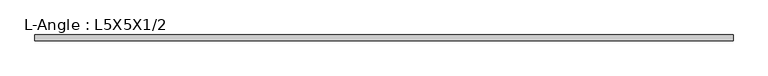
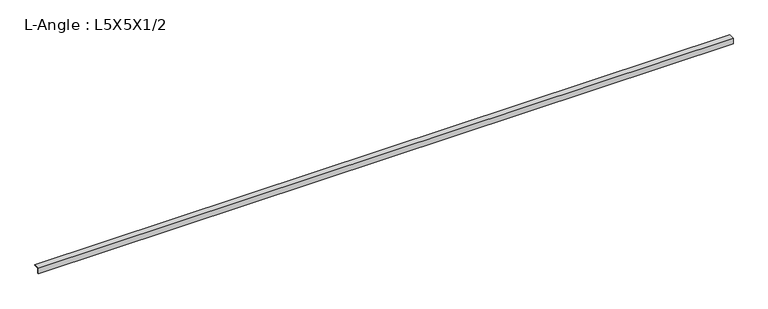
"""IFC4 building model written with IfcOpenShell, lengths in millimetres: beam geometry, L-Angle : L5X5X1/2."""

from ifc_helpers import new_model, si_unit, point, frame, frame_2d, origin, place, context, project, spatial, polyline, circle_curve, trimmed, segment, composite_curve, outline, extrude, source, transform, mapped, element, save


def l_angle_l5x5x1_2_9fc6a4b2(model_context):
    return source(origin(), model_context, "Body", "SweptSolid", [
        extrude(outline(composite_curve([segment(polyline([(-36.068, 36.068), (90.932, 36.068)]), True, "CONTINUOUS"), segment(trimmed(circle_curve(frame_2d((78.232, 36.068)), 12.7), [point((90.932, 36.068))], [point((78.232, 23.368))], False, "CARTESIAN"), True, "CONTINUOUS"), segment(polyline([(78.232, 23.368), (-10.668, 23.368)]), True, "CONTINUOUS"), segment(trimmed(circle_curve(frame_2d((-10.668, 10.668)), 12.7), [point((-10.668, 23.368))], [point((-23.368, 10.668))], True, "CARTESIAN"), True, "CONTINUOUS"), segment(polyline([(-23.368, 10.668), (-23.368, -78.232)]), True, "CONTINUOUS"), segment(trimmed(circle_curve(frame_2d((-36.068, -78.232)), 12.7), [point((-23.368, -78.232))], [point((-36.068, -90.932))], False, "CARTESIAN"), True, "CONTINUOUS"), segment(polyline([(-36.068, -90.932), (-36.068, 36.068)]), True, "CONTINUOUS")], self_intersect=False)), frame((-7442.8324864, 0.0, 0.0), z_axis=(1.0, 0.0, 0.0), x_axis=(0.0, 1.0, 0.0)), (0.0, 0.0, 1.0), 14885.6649727),
    ])


if __name__ == "__main__":
    model = new_model("IFC4")
    model_context = context("Model", 3, world=origin())
    ifc_project = project(units=[si_unit("LENGTHUNIT", "METRE", prefix="MILLI")], contexts=[model_context])
    site = spatial("IfcSite", under=ifc_project)
    building = spatial("IfcBuilding", under=site)
    placement = place(None, origin())
    l_angle_l5x5x1_2_shape = l_angle_l5x5x1_2_9fc6a4b2(model_context)
    element("IfcBeam", 1, ObjectType="L-Angle : L5X5X1/2", at=placement, inside=building, context=model_context, shape_type="MappedRepresentation", body=[
        mapped(l_angle_l5x5x1_2_shape, transform((0.0, 0.0, 0.0), x_axis=(1.0, 0.0, 0.0), y_axis=(0.0, 1.0, 0.0), z_axis=(0.0, 0.0, 1.0))),
    ])
    save(model, "model.ifc")
